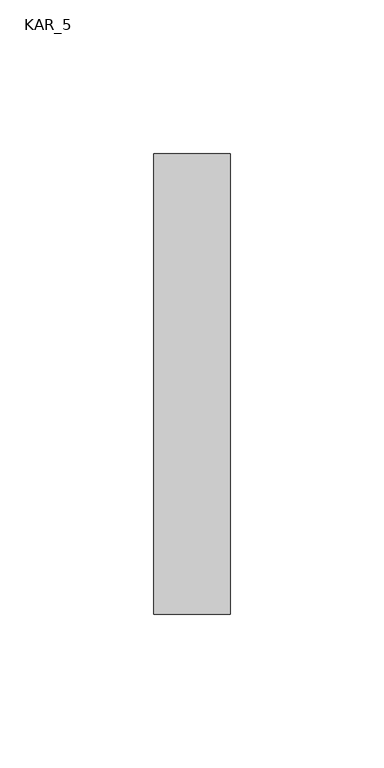
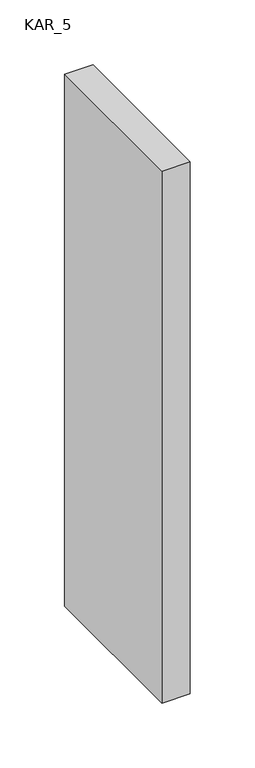
"""IFC4 building model written with IfcOpenShell, lengths in millimetres: proxy geometry, KAR_5."""

from ifc_helpers import new_model, si_unit, frame, origin, place, context, project, spatial, polyline, outline, extrude, source, transform, mapped, element, save


def kar_5_4ad9de3f(model_context):
    return source(origin(), model_context, "Body", "SweptSolid", [
        extrude(outline(polyline([(25.0, 150.0), (25.0, 0.0), (0.0, 0.0), (0.0, 150.0), (25.0, 150.0)])), frame((0.0, 0.0, 2000.0), z_axis=(0.0, 0.0, 1.0), x_axis=(1.0, 0.0, 0.0)), (0.0, 0.0, 1.0), 500.0),
    ])


if __name__ == "__main__":
    model = new_model("IFC4")
    model_context = context("Model", 3, world=origin())
    ifc_project = project(units=[si_unit("LENGTHUNIT", "METRE", prefix="MILLI")], contexts=[model_context])
    site = spatial("IfcSite", under=ifc_project)
    building = spatial("IfcBuilding", under=site)
    placement = place(None, origin())
    kar_5_shape = kar_5_4ad9de3f(model_context)
    element("IfcBuildingElementProxy", 1, Name="KAR_5", ObjectType="KAR_5", at=placement, inside=building, context=model_context, shape_type="MappedRepresentation", body=[
        mapped(kar_5_shape, transform((0.0, 0.0, 0.0), x_axis=(1.0, 0.0, 0.0), y_axis=(0.0, 1.0, 0.0), z_axis=(0.0, 0.0, 1.0))),
    ])
    save(model, "model.ifc")
